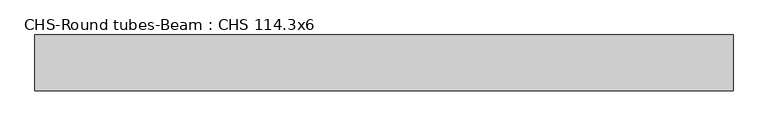
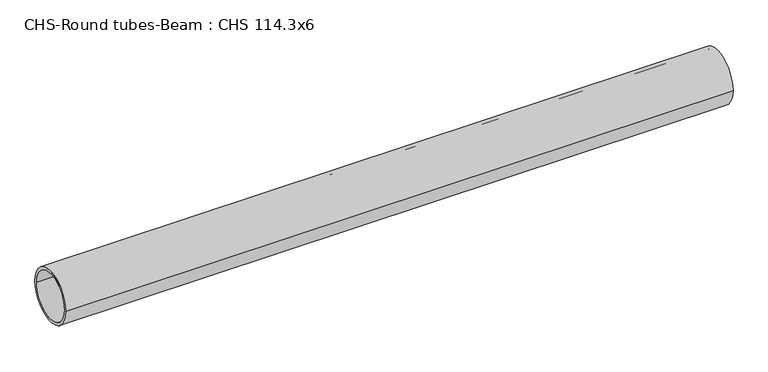
"""IFC4 building model written with IfcOpenShell, lengths in millimetres: beam geometry, CHS-Round tubes-Beam : CHS 114.3x6."""

from ifc_helpers import new_model, si_unit, point, frame, origin, origin_2d, place, context, project, spatial, circle_curve, trimmed, segment, composite_curve, outline, extrude, source, transform, mapped, element, save


def chs_round_tubes_beam_chs_114_3x6_c670a3eb(model_context):
    return source(origin(), model_context, "Body", "SweptSolid", [
        extrude(outline(composite_curve([segment(trimmed(circle_curve(origin_2d(), 57.15), [point((57.15, 0.0))], [point((-57.15, 0.0))], False, "CARTESIAN"), True, "CONTINUOUS"), segment(trimmed(circle_curve(origin_2d(), 57.15), [point((-57.15, 0.0))], [point((57.15, 0.0))], False, "CARTESIAN"), True, "CONTINUOUS")], self_intersect=False), holes=[composite_curve([segment(trimmed(circle_curve(origin_2d(), 51.15), [point((51.15, 0.0))], [point((-51.15, 0.0))], True, "CARTESIAN"), True, "CONTINUOUS"), segment(trimmed(circle_curve(origin_2d(), 51.15), [point((-51.15, 0.0))], [point((51.15, 0.0))], True, "CARTESIAN"), True, "CONTINUOUS")], self_intersect=False)]), frame((-702.9230994, 0.0, 0.0), z_axis=(1.0, 0.0, 0.0), x_axis=(0.0, 1.0, 0.0)), (0.0, 0.0, 1.0), 1425.5832651),
    ])


if __name__ == "__main__":
    model = new_model("IFC4")
    model_context = context("Model", 3, world=origin())
    ifc_project = project(units=[si_unit("LENGTHUNIT", "METRE", prefix="MILLI")], contexts=[model_context])
    site = spatial("IfcSite", under=ifc_project)
    building = spatial("IfcBuilding", under=site)
    placement = place(None, origin())
    chs_round_tubes_beam_chs_114_3x6_shape = chs_round_tubes_beam_chs_114_3x6_c670a3eb(model_context)
    element("IfcBeam", 1, ObjectType="CHS-Round tubes-Beam : CHS 114.3x6", at=placement, inside=building, context=model_context, shape_type="MappedRepresentation", body=[
        mapped(chs_round_tubes_beam_chs_114_3x6_shape, transform((0.0, 0.0, 0.0), x_axis=(1.0, 0.0, 0.0), y_axis=(0.0, 1.0, 0.0), z_axis=(0.0, 0.0, 1.0))),
    ])
    save(model, "model.ifc")
